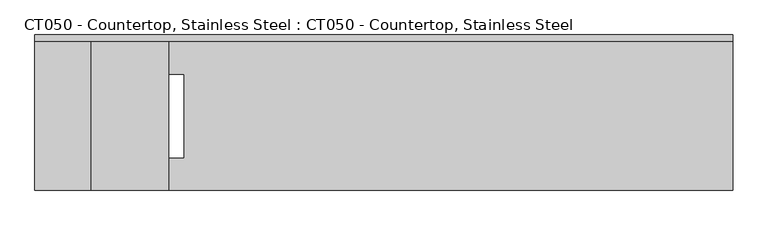
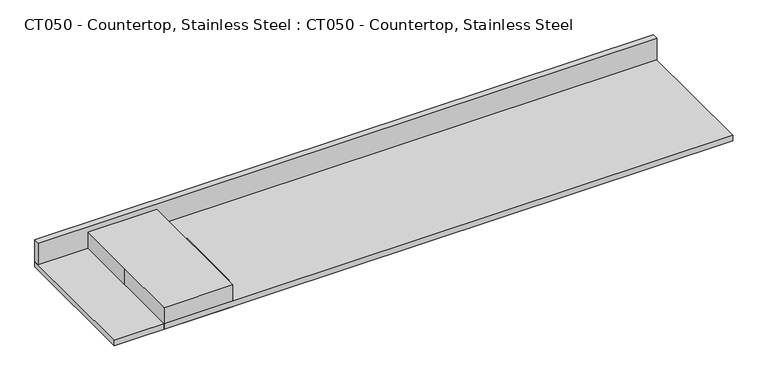
"""IFC4 building model written with IfcOpenShell, lengths in millimetres: proxy geometry, CT050 - Countertop, Stainless Steel : CT050 - Countertop, Stainless Steel."""

from ifc_helpers import new_model, si_unit, frame, origin, origin_with_axes, place, context, project, spatial, polyline, outline, extrude, source, transform, mapped, element, save


def ct050_countertop_stainless_steel_ct050_countertop_stainless_2f13786d(model_context):
    return source(origin(), model_context, "Body", "SweptSolid", [
        extrude(outline(polyline([(2370.1375, 304.8), (2370.1375, -304.8), (-373.0625, -304.8), (-373.0625, 304.8), (2370.1375, 304.8)]), holes=[polyline([(211.1375, 147.3093398), (-144.4625, 147.3093398), (-144.4625, -177.4471079), (211.1375, -177.4471079), (211.1375, 147.3093398)])]), origin_with_axes(), (0.0, 0.0, 1.0), 25.4),
        extrude(outline(polyline([(-373.0625, 279.4), (-373.0625, 304.8), (2370.1375, 304.8), (2370.1375, 279.4), (-373.0625, 279.4)])), frame((0.0, 0.0, 25.4), z_axis=(0.0, 0.0, 1.0), x_axis=(1.0, 0.0, 0.0)), (0.0, 0.0, 1.0), 101.6),
        extrude(outline(polyline([(-152.4, 304.8), (152.4, 304.8), (152.4, -304.8), (-152.4, -304.8), (-152.4, 0.0), (-152.4, 304.8)])), origin_with_axes(), (0.0, 0.0, 1.0), 101.6),
    ])


if __name__ == "__main__":
    model = new_model("IFC4")
    model_context = context("Model", 3, world=origin())
    ifc_project = project(units=[si_unit("LENGTHUNIT", "METRE", prefix="MILLI")], contexts=[model_context])
    site = spatial("IfcSite", under=ifc_project)
    building = spatial("IfcBuilding", under=site)
    placement = place(None, origin())
    ct050_countertop_stainless_steel_ct050_countertop_stainless_shape = ct050_countertop_stainless_steel_ct050_countertop_stainless_2f13786d(model_context)
    element("IfcBuildingElementProxy", 1, Name="CT050 - Countertop, Stainless Steel : CT050 - Countertop, Stainless Steel", ObjectType="CT050 - Countertop, Stainless Steel : CT050 - Countertop, Stainless Steel", at=placement, inside=building, context=model_context, shape_type="MappedRepresentation", body=[
        mapped(ct050_countertop_stainless_steel_ct050_countertop_stainless_shape, transform((0.0, 0.0, 0.0), x_axis=(1.0, 0.0, 0.0), y_axis=(0.0, 1.0, 0.0), z_axis=(0.0, 0.0, 1.0))),
    ])
    save(model, "model.ifc")
